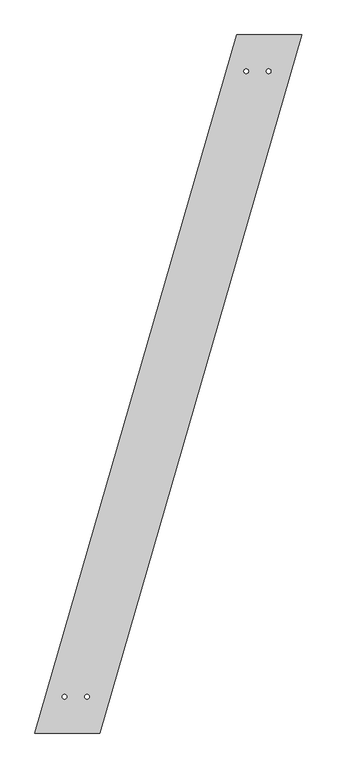
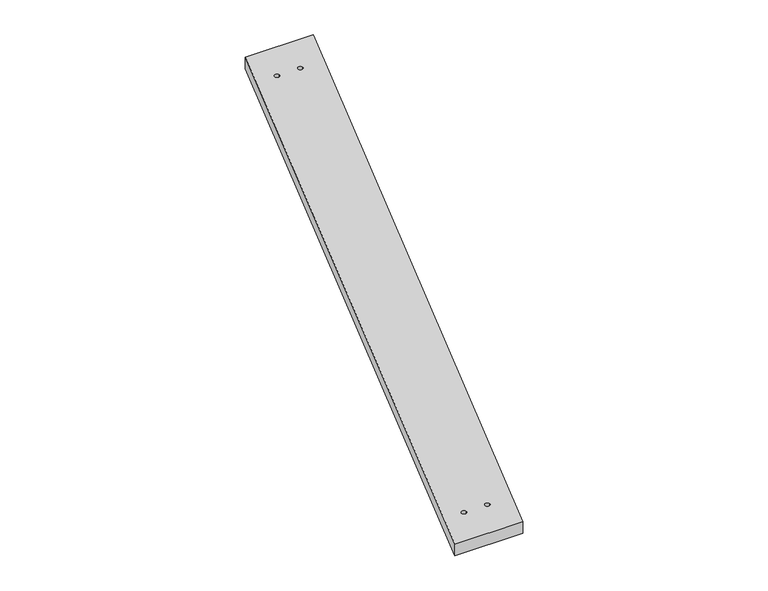
"""IFC4 building model written with IfcOpenShell, lengths in millimetres: proxy geometry."""

from ifc_helpers import new_model, si_unit, point, frame_2d, origin, origin_with_axes, place, context, project, spatial, polyline, circle_curve, trimmed, segment, composite_curve, outline, extrude, source, transform, mapped, element, save


def generic_models_10e5eae1(model_context):
    return source(origin(), model_context, "Body", "SweptSolid", [
        extrude(outline(polyline([(869.5693323, 3006.7838593), (1149.5693323, 3006.7838593), (280.0, 0.0), (0.0, 0.0), (869.5693323, 3006.7838593)]), holes=[composite_curve([segment(trimmed(circle_curve(frame_2d((909.8851264, 2850.2838593)), 10.0), [point((899.8851264, 2850.2838593))], [point((919.8851264, 2850.2838593))], True, "CARTESIAN"), True, "CONTINUOUS"), segment(trimmed(circle_curve(frame_2d((909.8851264, 2850.2838593)), 10.0), [point((919.8851264, 2850.2838593))], [point((899.8851264, 2850.2838593))], True, "CARTESIAN"), True, "CONTINUOUS")], self_intersect=False), composite_curve([segment(trimmed(circle_curve(frame_2d((1006.6123991, 2850.2838593)), 10.0), [point((996.6123991, 2850.2838593))], [point((1016.6123991, 2850.2838593))], True, "CARTESIAN"), True, "CONTINUOUS"), segment(trimmed(circle_curve(frame_2d((1006.6123991, 2850.2838593)), 10.0), [point((1016.6123991, 2850.2838593))], [point((996.6123991, 2850.2838593))], True, "CARTESIAN"), True, "CONTINUOUS")], self_intersect=False), composite_curve([segment(trimmed(circle_curve(frame_2d((127.2727273, 156.5)), 10.0), [point((117.2727273, 156.5))], [point((137.2727273, 156.5))], True, "CARTESIAN"), True, "CONTINUOUS"), segment(trimmed(circle_curve(frame_2d((127.2727273, 156.5)), 10.0), [point((137.2727273, 156.5))], [point((117.2727273, 156.5))], True, "CARTESIAN"), True, "CONTINUOUS")], self_intersect=False), composite_curve([segment(trimmed(circle_curve(frame_2d((224.0, 156.5)), 10.0), [point((214.0, 156.5))], [point((234.0, 156.5))], True, "CARTESIAN"), True, "CONTINUOUS"), segment(trimmed(circle_curve(frame_2d((224.0, 156.5)), 10.0), [point((234.0, 156.5))], [point((214.0, 156.5))], True, "CARTESIAN"), True, "CONTINUOUS")], self_intersect=False)]), origin_with_axes(), (0.0, 0.0, 1.0), 50.0),
    ])


if __name__ == "__main__":
    model = new_model("IFC4")
    model_context = context("Model", 3, world=origin())
    ifc_project = project(units=[si_unit("LENGTHUNIT", "METRE", prefix="MILLI")], contexts=[model_context])
    site = spatial("IfcSite", under=ifc_project)
    building = spatial("IfcBuilding", under=site)
    placement = place(None, origin())
    generic_models_shape = generic_models_10e5eae1(model_context)
    element("IfcBuildingElementProxy", 1, Name="Generic Models", at=placement, inside=building, context=model_context, shape_type="MappedRepresentation", body=[
        mapped(generic_models_shape, transform((0.0, 0.0, 0.0), x_axis=(1.0, 0.0, 0.0), y_axis=(0.0, 1.0, 0.0), z_axis=(0.0, 0.0, 1.0))),
    ])
    save(model, "model.ifc")
